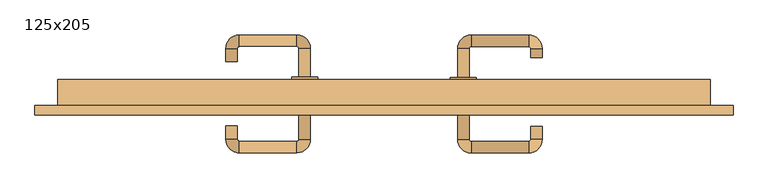
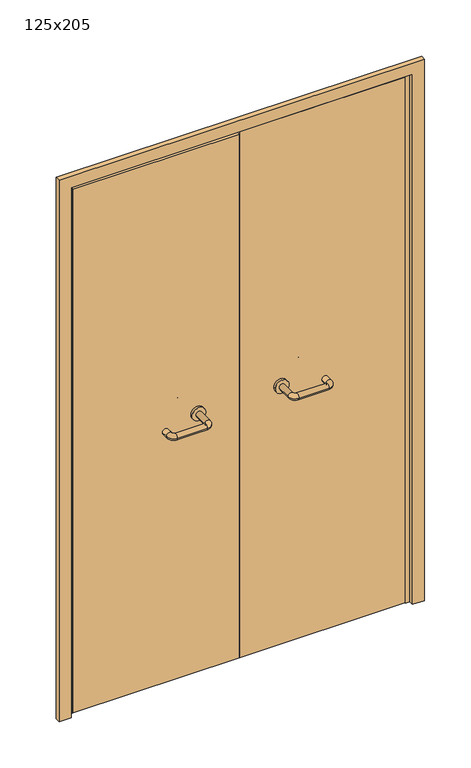
"""IFC4 building model written with IfcOpenShell, lengths in millimetres: door geometry, 125x205."""

from ifc_helpers import new_model, si_unit, point, frame, frame_2d, origin, place, context, project, spatial, polyline, circle_curve, ellipse_curve, trimmed, segment, composite_curve, outline, extrude, source, transform, mapped, element, save
from ifc_brep_helpers import plane_surface, cylinder_surface, revolved_surface, advanced_brep


def door_125x205_c4f9e5a3(model_context):
    return source(origin(), model_context, "Body", "SolidModel", [
        extrude(outline(polyline([(2094.0, 669.0), (2094.0, -669.0), (0.0, -669.0), (0.0, -625.0), (2050.0, -625.0), (2050.0, 625.0), (0.0, 625.0), (0.0, 669.0), (2094.0, 669.0)])), frame((0.0, -118.0, 0.0), z_axis=(0.0, 1.0, 0.0), x_axis=(0.0, 0.0, 1.0)), (0.0, 0.0, 1.0), 18.0),
        extrude(outline(polyline([(2050.0, -625.0), (0.0, -625.0), (0.0, -610.0), (2035.0, -610.0), (2035.0, 610.0), (0.0, 610.0), (0.0, 625.0), (2050.0, 625.0), (2050.0, -625.0)])), frame((0.0, -100.0, 0.0), z_axis=(0.0, 1.0, 0.0), x_axis=(0.0, 0.0, 1.0)), (0.0, 0.0, 1.0), 50.0),
        advanced_brep(
        [(140.99898, -46.0, 1003.0), (162.99898, -46.0, 1003.0), (162.99898, 9.3525369, 1003.0), (140.99898, 9.3525369, 1003.0), (166.99898, 13.3525369, 1003.0), (166.99898, 35.3525369, 1003.0), (276.99898, 13.3525369, 1003.0), (276.99898, 35.3525369, 1003.0), (280.99898, 9.3525369, 1003.0), (302.99898, 9.3525369, 1003.0), (302.99898, -8.0, 1003.0), (280.99898, -8.0, 1003.0)],
        [
            (0, 1, circle_curve(frame((151.99898, -46.0, 1003.0), z_axis=(0.0, -1.0, 0.0), x_axis=(1.0, 0.0, 0.0)), 11.0)),
            (1, 0, circle_curve(frame((151.99898, -46.0, 1003.0), z_axis=(0.0, -1.0, 0.0), x_axis=(1.0, 0.0, 0.0)), 11.0)),
            (1, 2),
            (2, 3, circle_curve(frame((151.99898, 9.3525369, 1003.0), z_axis=(0.0, -1.0, 0.0), x_axis=(1.0, 0.0, 0.0)), 11.0)),
            (3, 0),
            (3, 2, circle_curve(frame((151.99898, 9.3525369, 1003.0), z_axis=(0.0, -1.0, 0.0), x_axis=(1.0, 0.0, 0.0)), 11.0)),
            (4, 5, circle_curve(frame((166.99898, 24.3525369, 1003.0), z_axis=(-1.0, 0.0, 0.0), x_axis=(0.0, -1.0, 0.0)), 11.0)),
            (5, 3, circle_curve(frame((166.99898, 9.3525369, 1003.0), z_axis=(0.0, 0.0, 1.0), x_axis=(-1.0, 0.0, 0.0)), 26.0)),
            (2, 4, circle_curve(frame((166.99898, 9.3525369, 1003.0), z_axis=(0.0, 0.0, -1.0), x_axis=(-1.0, 0.0, 0.0)), 4.0)),
            (5, 4, circle_curve(frame((166.99898, 24.3525369, 1003.0), z_axis=(-1.0, 0.0, 0.0), x_axis=(0.0, -1.0, 0.0)), 11.0)),
            (4, 6),
            (6, 7, circle_curve(frame((276.99898, 24.3525369, 1003.0), z_axis=(-1.0, 0.0, 0.0), x_axis=(0.0, -1.0, 0.0)), 11.0)),
            (7, 5),
            (7, 6, circle_curve(frame((276.99898, 24.3525369, 1003.0), z_axis=(-1.0, 0.0, 0.0), x_axis=(0.0, -1.0, 0.0)), 11.0)),
            (8, 9, circle_curve(frame((291.99898, 9.3525369, 1003.0), z_axis=(0.0, 1.0, 0.0), x_axis=(-1.0, 0.0, 0.0)), 11.0)),
            (9, 7, circle_curve(frame((276.99898, 9.3525369, 1003.0), z_axis=(0.0, 0.0, 1.0), x_axis=(0.0, 1.0, 0.0)), 26.0)),
            (6, 8, circle_curve(frame((276.99898, 9.3525369, 1003.0), z_axis=(0.0, 0.0, -1.0), x_axis=(0.0, 1.0, 0.0)), 4.0)),
            (9, 8, circle_curve(frame((291.99898, 9.3525369, 1003.0), z_axis=(0.0, 1.0, 0.0), x_axis=(-1.0, 0.0, 0.0)), 11.0)),
            (10, 11, circle_curve(frame((291.99898, -8.0, 1003.0), z_axis=(0.0, -1.0, 0.0), x_axis=(-1.0, 0.0, 0.0)), 11.0)),
            (11, 10, circle_curve(frame((291.99898, -8.0, 1003.0), z_axis=(0.0, -1.0, 0.0), x_axis=(-1.0, 0.0, 0.0)), 11.0)),
            (8, 11),
            (10, 9),
        ],
        [
            plane_surface(frame((140.99898, -46.0, 1003.0), z_axis=(0.0, -1.0, 0.0), x_axis=(0.0, 0.0, -1.0))),
            cylinder_surface(frame((151.99898, -46.0, 1003.0), z_axis=(0.0, -1.0, 0.0), x_axis=(1.0, 0.0, 0.0)), 11.0),
            revolved_surface(trimmed(ellipse_curve(frame((151.99898, 9.3525369, 1003.0), z_axis=(0.0, 1.0, 0.0), x_axis=(1.0, 0.0, 0.0)), 11.0, 11.0), [point((140.99898, 9.3525369, 1003.0))], [point((162.99898, 9.3525369, 1003.0))], True, "CARTESIAN"), (166.99898, 9.3525369, 1003.0), (0.0, 0.0, 1.0)),
            revolved_surface(trimmed(ellipse_curve(frame((151.99898, 9.3525369, 1003.0), z_axis=(0.0, 1.0, 0.0), x_axis=(1.0, 0.0, 0.0)), 11.0, 11.0), [point((162.99898, 9.3525369, 1003.0))], [point((140.99898, 9.3525369, 1003.0))], True, "CARTESIAN"), (166.99898, 9.3525369, 1003.0), (0.0, 0.0, 1.0)),
            cylinder_surface(frame((166.99898, 24.3525369, 1003.0), z_axis=(-1.0, 0.0, 0.0), x_axis=(0.0, -1.0, 0.0)), 11.0),
            revolved_surface(trimmed(ellipse_curve(frame((276.99898, 24.3525369, 1003.0), z_axis=(1.0, 0.0, 0.0), x_axis=(0.0, -1.0, 0.0)), 11.0, 11.0), [point((276.99898, 35.3525369, 1003.0))], [point((276.99898, 13.3525369, 1003.0))], True, "CARTESIAN"), (276.99898, 9.3525369, 1003.0), (0.0, 0.0, 1.0)),
            revolved_surface(trimmed(ellipse_curve(frame((276.99898, 24.3525369, 1003.0), z_axis=(1.0, 0.0, 0.0), x_axis=(0.0, -1.0, 0.0)), 11.0, 11.0), [point((276.99898, 13.3525369, 1003.0))], [point((276.99898, 35.3525369, 1003.0))], True, "CARTESIAN"), (276.99898, 9.3525369, 1003.0), (0.0, 0.0, 1.0)),
            plane_surface(frame((280.99898, -8.0, 1003.0), z_axis=(0.0, -1.0, 0.0), x_axis=(0.0, 0.0, 1.0))),
            cylinder_surface(frame((291.99898, 9.3525369, 1003.0), z_axis=(0.0, 1.0, 0.0), x_axis=(-1.0, 0.0, 0.0)), 11.0),
        ],
        [
            (0, [[1, 2]]),
            (1, [[3, 4, 5, -2]]),
            (1, [[-5, 6, -3, -1]]),
            (2, [[7, 8, -4, 9]]),
            (3, [[10, -9, -6, -8]]),
            (4, [[11, 12, 13, -7]]),
            (4, [[-13, 14, -11, -10]]),
            (5, [[15, 16, -12, 17]]),
            (6, [[18, -17, -14, -16]]),
            (7, [[19, 20]]),
            (8, [[21, -19, 22, -15]]),
            (8, [[-22, -20, -21, -18]]),
        ],
    ),
        extrude(outline(composite_curve([segment(trimmed(circle_curve(frame_2d((1003.0, 151.99898)), 25.0), [point((1003.0, 126.99898))], [point((1003.0, 176.99898))], False, "CARTESIAN"), True, "CONTINUOUS"), segment(trimmed(circle_curve(frame_2d((1003.0, 151.99898)), 25.0), [point((1003.0, 176.99898))], [point((1003.0, 126.99898))], False, "CARTESIAN"), True, "CONTINUOUS")], self_intersect=False)), frame((0.0, -56.0, 0.0), z_axis=(0.0, 1.0, 0.0), x_axis=(0.0, 0.0, 1.0)), (0.0, 0.0, 1.0), 10.0),
        advanced_brep(
        [(162.99898, -110.0, 1003.0), (140.99898, -110.0, 1003.0), (140.99898, -165.0, 1003.0), (162.99898, -165.0, 1003.0), (166.99898, -191.0, 1003.0), (166.99898, -169.0, 1003.0), (276.99898, -191.0, 1003.0), (276.99898, -169.0, 1003.0), (302.99898, -165.0, 1003.0), (280.99898, -165.0, 1003.0), (280.99898, -140.0, 1003.0), (302.99898, -140.0, 1003.0)],
        [
            (0, 1, circle_curve(frame((151.99898, -110.0, 1003.0), z_axis=(0.0, 1.0, 0.0), x_axis=(-1.0, 0.0, 0.0)), 11.0)),
            (1, 0, circle_curve(frame((151.99898, -110.0, 1003.0), z_axis=(0.0, 1.0, 0.0), x_axis=(-1.0, 0.0, 0.0)), 11.0)),
            (1, 2),
            (2, 3, circle_curve(frame((151.99898, -165.0, 1003.0), z_axis=(0.0, 1.0, 0.0), x_axis=(-1.0, 0.0, 0.0)), 11.0)),
            (3, 0),
            (3, 2, circle_curve(frame((151.99898, -165.0, 1003.0), z_axis=(0.0, 1.0, 0.0), x_axis=(-1.0, 0.0, 0.0)), 11.0)),
            (4, 5, circle_curve(frame((166.99898, -180.0, 1003.0), z_axis=(-1.0, 0.0, 0.0), x_axis=(0.0, -1.0, 0.0)), 11.0)),
            (5, 3, circle_curve(frame((166.99898, -165.0, 1003.0), z_axis=(0.0, 0.0, -1.0), x_axis=(-1.0, 0.0, 0.0)), 4.0)),
            (2, 4, circle_curve(frame((166.99898, -165.0, 1003.0), z_axis=(0.0, 0.0, 1.0), x_axis=(-1.0, 0.0, 0.0)), 26.0)),
            (5, 4, circle_curve(frame((166.99898, -180.0, 1003.0), z_axis=(-1.0, 0.0, 0.0), x_axis=(0.0, -1.0, 0.0)), 11.0)),
            (4, 6),
            (6, 7, circle_curve(frame((276.99898, -180.0, 1003.0), z_axis=(-1.0, 0.0, 0.0), x_axis=(0.0, -1.0, 0.0)), 11.0)),
            (7, 5),
            (7, 6, circle_curve(frame((276.99898, -180.0, 1003.0), z_axis=(-1.0, 0.0, 0.0), x_axis=(0.0, -1.0, 0.0)), 11.0)),
            (8, 9, circle_curve(frame((291.99898, -165.0, 1003.0), z_axis=(0.0, -1.0, 0.0), x_axis=(1.0, 0.0, 0.0)), 11.0)),
            (9, 7, circle_curve(frame((276.99898, -165.0, 1003.0), z_axis=(0.0, 0.0, -1.0), x_axis=(0.0, -1.0, 0.0)), 4.0)),
            (6, 8, circle_curve(frame((276.99898, -165.0, 1003.0), z_axis=(0.0, 0.0, 1.0), x_axis=(0.0, -1.0, 0.0)), 26.0)),
            (9, 8, circle_curve(frame((291.99898, -165.0, 1003.0), z_axis=(0.0, -1.0, 0.0), x_axis=(1.0, 0.0, 0.0)), 11.0)),
            (10, 11, circle_curve(frame((291.99898, -140.0, 1003.0), z_axis=(0.0, 1.0, 0.0), x_axis=(1.0, 0.0, 0.0)), 11.0)),
            (11, 10, circle_curve(frame((291.99898, -140.0, 1003.0), z_axis=(0.0, 1.0, 0.0), x_axis=(1.0, 0.0, 0.0)), 11.0)),
            (8, 11),
            (10, 9),
        ],
        [
            plane_surface(frame((140.99898, -110.0, 1003.0), z_axis=(0.0, 1.0, 0.0), x_axis=(0.0, 0.0, 1.0))),
            cylinder_surface(frame((151.99898, -110.0, 1003.0), z_axis=(0.0, 1.0, 0.0), x_axis=(-1.0, 0.0, 0.0)), 11.0),
            revolved_surface(trimmed(ellipse_curve(frame((151.99898, -165.0, 1003.0), z_axis=(0.0, -1.0, 0.0), x_axis=(-1.0, 0.0, 0.0)), 11.0, 11.0), [point((162.99898, -165.0, 1003.0))], [point((140.99898, -165.0, 1003.0))], True, "CARTESIAN"), (166.99898, -165.0, 1003.0), (0.0, 0.0, -1.0)),
            revolved_surface(trimmed(ellipse_curve(frame((151.99898, -165.0, 1003.0), z_axis=(0.0, -1.0, 0.0), x_axis=(-1.0, 0.0, 0.0)), 11.0, 11.0), [point((140.99898, -165.0, 1003.0))], [point((162.99898, -165.0, 1003.0))], True, "CARTESIAN"), (166.99898, -165.0, 1003.0), (0.0, 0.0, -1.0)),
            cylinder_surface(frame((166.99898, -180.0, 1003.0), z_axis=(-1.0, 0.0, 0.0), x_axis=(0.0, -1.0, 0.0)), 11.0),
            revolved_surface(trimmed(ellipse_curve(frame((276.99898, -180.0, 1003.0), z_axis=(1.0, 0.0, 0.0), x_axis=(0.0, -1.0, 0.0)), 11.0, 11.0), [point((276.99898, -169.0, 1003.0))], [point((276.99898, -191.0, 1003.0))], True, "CARTESIAN"), (276.99898, -165.0, 1003.0), (0.0, 0.0, -1.0)),
            revolved_surface(trimmed(ellipse_curve(frame((276.99898, -180.0, 1003.0), z_axis=(1.0, 0.0, 0.0), x_axis=(0.0, -1.0, 0.0)), 11.0, 11.0), [point((276.99898, -191.0, 1003.0))], [point((276.99898, -169.0, 1003.0))], True, "CARTESIAN"), (276.99898, -165.0, 1003.0), (0.0, 0.0, -1.0)),
            plane_surface(frame((280.99898, -140.0, 1003.0), z_axis=(0.0, 1.0, 0.0), x_axis=(0.0, 0.0, -1.0))),
            cylinder_surface(frame((291.99898, -165.0, 1003.0), z_axis=(0.0, -1.0, 0.0), x_axis=(1.0, 0.0, 0.0)), 11.0),
        ],
        [
            (0, [[1, 2]]),
            (1, [[3, 4, 5, -2]]),
            (1, [[-5, 6, -3, -1]]),
            (2, [[7, 8, -4, 9]]),
            (3, [[10, -9, -6, -8]]),
            (4, [[11, 12, 13, -7]]),
            (4, [[-13, 14, -11, -10]]),
            (5, [[15, 16, -12, 17]]),
            (6, [[18, -17, -14, -16]]),
            (7, [[19, 20]]),
            (8, [[21, -19, 22, -15]]),
            (8, [[-22, -20, -21, -18]]),
        ],
    ),
        extrude(outline(composite_curve([segment(trimmed(circle_curve(frame_2d((1003.0, 151.99898)), 25.0), [point((1003.0, 176.99898))], [point((1003.0, 126.99898))], False, "CARTESIAN"), True, "CONTINUOUS"), segment(trimmed(circle_curve(frame_2d((1003.0, 151.99898)), 25.0), [point((1003.0, 126.99898))], [point((1003.0, 176.99898))], False, "CARTESIAN"), True, "CONTINUOUS")], self_intersect=False)), frame((0.0, -110.0, 0.0), z_axis=(0.0, 1.0, 0.0), x_axis=(0.0, 0.0, 1.0)), (0.0, 0.0, 1.0), 10.0),
        advanced_brep(
        [(-162.99898, -45.6886121, 1003.0), (-140.99898, -45.6886121, 1003.0), (-140.99898, 9.7220447, 1003.0), (-162.99898, 9.7220447, 1003.0), (-166.99898, 35.7220447, 1003.0), (-166.99898, 13.7220447, 1003.0), (-276.99898, 35.7220447, 1003.0), (-276.99898, 13.7220447, 1003.0), (-302.99898, 9.7220447, 1003.0), (-280.99898, 9.7220447, 1003.0), (-280.99898, -15.2779553, 1003.0), (-302.99898, -15.2779553, 1003.0)],
        [
            (0, 1, circle_curve(frame((-151.99898, -45.6886121, 1003.0), z_axis=(0.0, -1.0, 0.0), x_axis=(1.0, 0.0, 0.0)), 11.0)),
            (1, 0, circle_curve(frame((-151.99898, -45.6886121, 1003.0), z_axis=(0.0, -1.0, 0.0), x_axis=(1.0, 0.0, 0.0)), 11.0)),
            (1, 2),
            (2, 3, circle_curve(frame((-151.99898, 9.7220447, 1003.0), z_axis=(0.0, -1.0, 0.0), x_axis=(1.0, 0.0, 0.0)), 11.0)),
            (3, 0),
            (3, 2, circle_curve(frame((-151.99898, 9.7220447, 1003.0), z_axis=(0.0, -1.0, 0.0), x_axis=(1.0, 0.0, 0.0)), 11.0)),
            (4, 5, circle_curve(frame((-166.99898, 24.7220447, 1003.0), z_axis=(1.0, 0.0, 0.0), x_axis=(0.0, 1.0, 0.0)), 11.0)),
            (5, 3, circle_curve(frame((-166.99898, 9.7220447, 1003.0), z_axis=(0.0, 0.0, -1.0), x_axis=(1.0, 0.0, 0.0)), 4.0)),
            (2, 4, circle_curve(frame((-166.99898, 9.7220447, 1003.0), z_axis=(0.0, 0.0, 1.0), x_axis=(1.0, 0.0, 0.0)), 26.0)),
            (5, 4, circle_curve(frame((-166.99898, 24.7220447, 1003.0), z_axis=(1.0, 0.0, 0.0), x_axis=(0.0, 1.0, 0.0)), 11.0)),
            (4, 6),
            (6, 7, circle_curve(frame((-276.99898, 24.7220447, 1003.0), z_axis=(1.0, 0.0, 0.0), x_axis=(0.0, 1.0, 0.0)), 11.0)),
            (7, 5),
            (7, 6, circle_curve(frame((-276.99898, 24.7220447, 1003.0), z_axis=(1.0, 0.0, 0.0), x_axis=(0.0, 1.0, 0.0)), 11.0)),
            (8, 9, circle_curve(frame((-291.99898, 9.7220447, 1003.0), z_axis=(0.0, 1.0, 0.0), x_axis=(-1.0, 0.0, 0.0)), 11.0)),
            (9, 7, circle_curve(frame((-276.99898, 9.7220447, 1003.0), z_axis=(0.0, 0.0, -1.0), x_axis=(0.0, 1.0, 0.0)), 4.0)),
            (6, 8, circle_curve(frame((-276.99898, 9.7220447, 1003.0), z_axis=(0.0, 0.0, 1.0), x_axis=(0.0, 1.0, 0.0)), 26.0)),
            (9, 8, circle_curve(frame((-291.99898, 9.7220447, 1003.0), z_axis=(0.0, 1.0, 0.0), x_axis=(-1.0, 0.0, 0.0)), 11.0)),
            (10, 11, circle_curve(frame((-291.99898, -15.2779553, 1003.0), z_axis=(0.0, -1.0, 0.0), x_axis=(-1.0, 0.0, 0.0)), 11.0)),
            (11, 10, circle_curve(frame((-291.99898, -15.2779553, 1003.0), z_axis=(0.0, -1.0, 0.0), x_axis=(-1.0, 0.0, 0.0)), 11.0)),
            (8, 11),
            (10, 9),
        ],
        [
            plane_surface(frame((-162.99898, -45.6886121, 1003.0), z_axis=(0.0, -1.0, 0.0), x_axis=(0.0, 0.0, -1.0))),
            cylinder_surface(frame((-151.99898, -45.6886121, 1003.0), z_axis=(0.0, -1.0, 0.0), x_axis=(1.0, 0.0, 0.0)), 11.0),
            revolved_surface(trimmed(ellipse_curve(frame((-151.99898, 9.7220447, 1003.0), z_axis=(0.0, 1.0, 0.0), x_axis=(1.0, 0.0, 0.0)), 11.0, 11.0), [point((-162.99898, 9.7220447, 1003.0))], [point((-140.99898, 9.7220447, 1003.0))], True, "CARTESIAN"), (-166.99898, 9.7220447, 1003.0), (0.0, 0.0, -1.0)),
            revolved_surface(trimmed(ellipse_curve(frame((-151.99898, 9.7220447, 1003.0), z_axis=(0.0, 1.0, 0.0), x_axis=(1.0, 0.0, 0.0)), 11.0, 11.0), [point((-140.99898, 9.7220447, 1003.0))], [point((-162.99898, 9.7220447, 1003.0))], True, "CARTESIAN"), (-166.99898, 9.7220447, 1003.0), (0.0, 0.0, -1.0)),
            cylinder_surface(frame((-166.99898, 24.7220447, 1003.0), z_axis=(1.0, 0.0, 0.0), x_axis=(0.0, 1.0, 0.0)), 11.0),
            revolved_surface(trimmed(ellipse_curve(frame((-276.99898, 24.7220447, 1003.0), z_axis=(-1.0, 0.0, 0.0), x_axis=(0.0, 1.0, 0.0)), 11.0, 11.0), [point((-276.99898, 13.7220447, 1003.0))], [point((-276.99898, 35.7220447, 1003.0))], True, "CARTESIAN"), (-276.99898, 9.7220447, 1003.0), (0.0, 0.0, -1.0)),
            revolved_surface(trimmed(ellipse_curve(frame((-276.99898, 24.7220447, 1003.0), z_axis=(-1.0, 0.0, 0.0), x_axis=(0.0, 1.0, 0.0)), 11.0, 11.0), [point((-276.99898, 35.7220447, 1003.0))], [point((-276.99898, 13.7220447, 1003.0))], True, "CARTESIAN"), (-276.99898, 9.7220447, 1003.0), (0.0, 0.0, -1.0)),
            plane_surface(frame((-302.99898, -15.2779553, 1003.0), z_axis=(0.0, -1.0, 0.0), x_axis=(0.0, 0.0, 1.0))),
            cylinder_surface(frame((-291.99898, 9.7220447, 1003.0), z_axis=(0.0, 1.0, 0.0), x_axis=(-1.0, 0.0, 0.0)), 11.0),
        ],
        [
            (0, [[1, 2]]),
            (1, [[3, 4, 5, -2]]),
            (1, [[-5, 6, -3, -1]]),
            (2, [[7, 8, -4, 9]]),
            (3, [[10, -9, -6, -8]]),
            (4, [[11, 12, 13, -7]]),
            (4, [[-13, 14, -11, -10]]),
            (5, [[15, 16, -12, 17]]),
            (6, [[18, -17, -14, -16]]),
            (7, [[19, 20]]),
            (8, [[21, -19, 22, -15]]),
            (8, [[-22, -20, -21, -18]]),
        ],
    ),
        extrude(outline(composite_curve([segment(trimmed(circle_curve(frame_2d((1003.0, -151.99898)), 25.0), [point((1003.0, -176.99898))], [point((1003.0, -126.99898))], False, "CARTESIAN"), True, "CONTINUOUS"), segment(trimmed(circle_curve(frame_2d((1003.0, -151.99898)), 25.0), [point((1003.0, -126.99898))], [point((1003.0, -176.99898))], False, "CARTESIAN"), True, "CONTINUOUS")], self_intersect=False)), frame((0.0, -56.0, 0.0), z_axis=(0.0, 1.0, 0.0), x_axis=(0.0, 0.0, 1.0)), (0.0, 0.0, 1.0), 10.3113879),
        advanced_brep(
        [(-140.99898, -109.5143417, 1003.0), (-162.99898, -109.5143417, 1003.0), (-162.99898, -164.6104656, 1003.0), (-140.99898, -164.6104656, 1003.0), (-166.99898, -168.6104656, 1003.0), (-166.99898, -190.6104656, 1003.0), (-276.99898, -168.6104656, 1003.0), (-276.99898, -190.6104656, 1003.0), (-280.99898, -164.6104656, 1003.0), (-302.99898, -164.6104656, 1003.0), (-302.99898, -139.6104656, 1003.0), (-280.99898, -139.6104656, 1003.0)],
        [
            (0, 1, circle_curve(frame((-151.99898, -109.5143417, 1003.0), z_axis=(0.0, 1.0, 0.0), x_axis=(-1.0, 0.0, 0.0)), 11.0)),
            (1, 0, circle_curve(frame((-151.99898, -109.5143417, 1003.0), z_axis=(0.0, 1.0, 0.0), x_axis=(-1.0, 0.0, 0.0)), 11.0)),
            (1, 2),
            (2, 3, circle_curve(frame((-151.99898, -164.6104656, 1003.0), z_axis=(0.0, 1.0, 0.0), x_axis=(-1.0, 0.0, 0.0)), 11.0)),
            (3, 0),
            (3, 2, circle_curve(frame((-151.99898, -164.6104656, 1003.0), z_axis=(0.0, 1.0, 0.0), x_axis=(-1.0, 0.0, 0.0)), 11.0)),
            (4, 5, circle_curve(frame((-166.99898, -179.6104656, 1003.0), z_axis=(1.0, 0.0, 0.0), x_axis=(0.0, 1.0, 0.0)), 11.0)),
            (5, 3, circle_curve(frame((-166.99898, -164.6104656, 1003.0), z_axis=(0.0, 0.0, 1.0), x_axis=(1.0, 0.0, 0.0)), 26.0)),
            (2, 4, circle_curve(frame((-166.99898, -164.6104656, 1003.0), z_axis=(0.0, 0.0, -1.0), x_axis=(1.0, 0.0, 0.0)), 4.0)),
            (5, 4, circle_curve(frame((-166.99898, -179.6104656, 1003.0), z_axis=(1.0, 0.0, 0.0), x_axis=(0.0, 1.0, 0.0)), 11.0)),
            (4, 6),
            (6, 7, circle_curve(frame((-276.99898, -179.6104656, 1003.0), z_axis=(1.0, 0.0, 0.0), x_axis=(0.0, 1.0, 0.0)), 11.0)),
            (7, 5),
            (7, 6, circle_curve(frame((-276.99898, -179.6104656, 1003.0), z_axis=(1.0, 0.0, 0.0), x_axis=(0.0, 1.0, 0.0)), 11.0)),
            (8, 9, circle_curve(frame((-291.99898, -164.6104656, 1003.0), z_axis=(0.0, -1.0, 0.0), x_axis=(1.0, 0.0, 0.0)), 11.0)),
            (9, 7, circle_curve(frame((-276.99898, -164.6104656, 1003.0), z_axis=(0.0, 0.0, 1.0), x_axis=(0.0, -1.0, 0.0)), 26.0)),
            (6, 8, circle_curve(frame((-276.99898, -164.6104656, 1003.0), z_axis=(0.0, 0.0, -1.0), x_axis=(0.0, -1.0, 0.0)), 4.0)),
            (9, 8, circle_curve(frame((-291.99898, -164.6104656, 1003.0), z_axis=(0.0, -1.0, 0.0), x_axis=(1.0, 0.0, 0.0)), 11.0)),
            (10, 11, circle_curve(frame((-291.99898, -139.6104656, 1003.0), z_axis=(0.0, 1.0, 0.0), x_axis=(1.0, 0.0, 0.0)), 11.0)),
            (11, 10, circle_curve(frame((-291.99898, -139.6104656, 1003.0), z_axis=(0.0, 1.0, 0.0), x_axis=(1.0, 0.0, 0.0)), 11.0)),
            (8, 11),
            (10, 9),
        ],
        [
            plane_surface(frame((-162.99898, -109.5143417, 1003.0), z_axis=(0.0, 1.0, 0.0), x_axis=(0.0, 0.0, 1.0))),
            cylinder_surface(frame((-151.99898, -109.5143417, 1003.0), z_axis=(0.0, 1.0, 0.0), x_axis=(-1.0, 0.0, 0.0)), 11.0),
            revolved_surface(trimmed(ellipse_curve(frame((-151.99898, -164.6104656, 1003.0), z_axis=(0.0, -1.0, 0.0), x_axis=(-1.0, 0.0, 0.0)), 11.0, 11.0), [point((-140.99898, -164.6104656, 1003.0))], [point((-162.99898, -164.6104656, 1003.0))], True, "CARTESIAN"), (-166.99898, -164.6104656, 1003.0), (0.0, 0.0, 1.0)),
            revolved_surface(trimmed(ellipse_curve(frame((-151.99898, -164.6104656, 1003.0), z_axis=(0.0, -1.0, 0.0), x_axis=(-1.0, 0.0, 0.0)), 11.0, 11.0), [point((-162.99898, -164.6104656, 1003.0))], [point((-140.99898, -164.6104656, 1003.0))], True, "CARTESIAN"), (-166.99898, -164.6104656, 1003.0), (0.0, 0.0, 1.0)),
            cylinder_surface(frame((-166.99898, -179.6104656, 1003.0), z_axis=(1.0, 0.0, 0.0), x_axis=(0.0, 1.0, 0.0)), 11.0),
            revolved_surface(trimmed(ellipse_curve(frame((-276.99898, -179.6104656, 1003.0), z_axis=(-1.0, 0.0, 0.0), x_axis=(0.0, 1.0, 0.0)), 11.0, 11.0), [point((-276.99898, -190.6104656, 1003.0))], [point((-276.99898, -168.6104656, 1003.0))], True, "CARTESIAN"), (-276.99898, -164.6104656, 1003.0), (0.0, 0.0, 1.0)),
            revolved_surface(trimmed(ellipse_curve(frame((-276.99898, -179.6104656, 1003.0), z_axis=(-1.0, 0.0, 0.0), x_axis=(0.0, 1.0, 0.0)), 11.0, 11.0), [point((-276.99898, -168.6104656, 1003.0))], [point((-276.99898, -190.6104656, 1003.0))], True, "CARTESIAN"), (-276.99898, -164.6104656, 1003.0), (0.0, 0.0, 1.0)),
            plane_surface(frame((-302.99898, -139.6104656, 1003.0), z_axis=(0.0, 1.0, 0.0), x_axis=(0.0, 0.0, -1.0))),
            cylinder_surface(frame((-291.99898, -164.6104656, 1003.0), z_axis=(0.0, -1.0, 0.0), x_axis=(1.0, 0.0, 0.0)), 11.0),
        ],
        [
            (0, [[1, 2]]),
            (1, [[3, 4, 5, -2]]),
            (1, [[-5, 6, -3, -1]]),
            (2, [[7, 8, -4, 9]]),
            (3, [[10, -9, -6, -8]]),
            (4, [[11, 12, 13, -7]]),
            (4, [[-13, 14, -11, -10]]),
            (5, [[15, 16, -12, 17]]),
            (6, [[18, -17, -14, -16]]),
            (7, [[19, 20]]),
            (8, [[21, -19, 22, -15]]),
            (8, [[-22, -20, -21, -18]]),
        ],
    ),
        extrude(outline(composite_curve([segment(trimmed(circle_curve(frame_2d((1003.0, -151.99898)), 25.0), [point((1003.0, -126.99898))], [point((1003.0, -176.99898))], False, "CARTESIAN"), True, "CONTINUOUS"), segment(trimmed(circle_curve(frame_2d((1003.0, -151.99898)), 25.0), [point((1003.0, -176.99898))], [point((1003.0, -126.99898))], False, "CARTESIAN"), True, "CONTINUOUS")], self_intersect=False)), frame((0.0, -109.5143417, 0.0), z_axis=(0.0, 1.0, 0.0), x_axis=(0.0, 0.0, 1.0)), (0.0, 0.0, 1.0), 9.5143417),
        extrude(outline(polyline([(1.0739506, -56.0), (1.0739506, -100.0), (-607.0, -100.0), (-607.0, -56.0), (1.0739506, -56.0)])), frame((0.0, 0.0, 1.753223), z_axis=(0.0, 0.0, 1.0), x_axis=(1.0, 0.0, 0.0)), (0.0, 0.0, 1.0), 2024.246777),
        extrude(outline(polyline([(607.0, -56.0), (607.0, -100.0), (1.0739506, -100.0), (1.0739506, -56.0), (607.0, -56.0)])), frame((0.0, 0.0, 1.753223), z_axis=(0.0, 0.0, 1.0), x_axis=(1.0, 0.0, 0.0)), (0.0, 0.0, 1.0), 2033.246777),
    ])


if __name__ == "__main__":
    model = new_model("IFC4")
    model_context = context("Model", 3, world=origin())
    ifc_project = project(units=[si_unit("LENGTHUNIT", "METRE", prefix="MILLI")], contexts=[model_context])
    site = spatial("IfcSite", under=ifc_project)
    building = spatial("IfcBuilding", under=site)
    placement = place(None, origin())
    door_125x205_shape = door_125x205_c4f9e5a3(model_context)
    element("IfcDoor", 1, ObjectType="125x205", at=placement, inside=building, context=model_context, shape_type="MappedRepresentation", body=[
        mapped(door_125x205_shape, transform((0.0, 0.0, 0.0), x_axis=(1.0, 0.0, 0.0), y_axis=(0.0, 1.0, 0.0), z_axis=(0.0, 0.0, 1.0))),
    ])
    save(model, "model.ifc")
